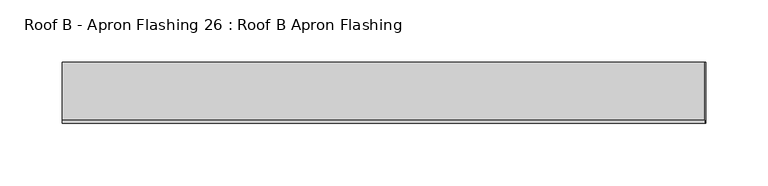
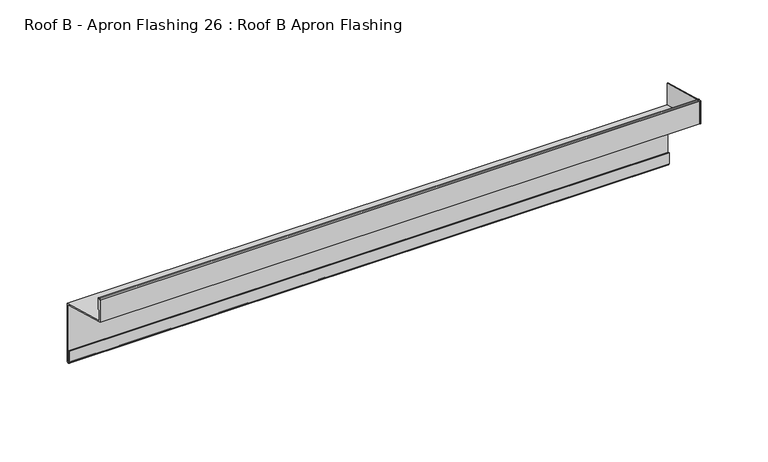
"""IFC4 building model written with IfcOpenShell, lengths in millimetres: proxy geometry, Roof B - Apron Flashing 26 : Roof B Apron Flashing."""

from ifc_helpers import new_model, si_unit, point, frame, frame_2d, origin, place, context, project, spatial, polyline, circle_curve, trimmed, segment, composite_curve, outline, extrude, source, transform, mapped, element, save


def roof_b_apron_flashing_26_roof_b_apron_flashing_edbbdef8(model_context):
    return source(origin(), model_context, "Body", "SweptSolid", [
        extrude(outline(polyline([(10608.0490096, -973.6339834), (10608.0490096, -953.130654), (10656.8026399, -966.1941499), (10656.8026399, -986.6974792), (10608.0490096, -973.6339834)])), frame((13482.4791786, 0.0, 0.0), z_axis=(1.0, 0.0, 0.0), x_axis=(0.0, 1.0, 0.0)), (0.0, 0.0, 1.0), 0.8428395),
        extrude(outline(composite_curve([segment(polyline([(10656.8026399, -985.662203), (10656.8026399, -1037.6563748)]), True, "CONTINUOUS"), segment(trimmed(circle_curve(frame_2d((10655.3026399, -1037.6563748)), 1.5), [point((10656.8026399, -1037.6563748))], [point((10653.8026399, -1037.6563748))], False, "CARTESIAN"), True, "CONTINUOUS"), segment(polyline([(10653.8026399, -1037.6563748), (10653.8026399, -1027.6933761), (10654.8026399, -1027.6933761), (10654.8026399, -1037.6563748)]), True, "CONTINUOUS"), segment(trimmed(circle_curve(frame_2d((10655.3026399, -1037.6563748)), 0.5), [point((10654.8026399, -1037.6563748))], [point((10655.8026399, -1037.6563748))], True, "CARTESIAN"), True, "CONTINUOUS"), segment(polyline([(10655.8026399, -1037.6563748), (10655.8026399, -986.42953), (10608.0490096, -973.6339834), (10608.0490096, -953.3538686)]), True, "CONTINUOUS"), segment(trimmed(circle_curve(frame_2d((10609.2990096, -953.3538686)), 1.25), [point((10608.0490096, -953.3538686))], [point((10610.5490096, -953.3538686))], False, "CARTESIAN"), True, "CONTINUOUS"), segment(polyline([(10610.5490096, -953.3538686), (10610.5490096, -962.6360034)]), True, "CONTINUOUS"), segment(trimmed(circle_curve(frame_2d((10610.0490096, -962.6360034)), 0.5), [point((10610.5490096, -962.6360034))], [point((10609.5490096, -962.6360034))], False, "CARTESIAN"), True, "CONTINUOUS"), segment(polyline([(10609.5490096, -962.6360034), (10609.5490096, -953.3538686)]), True, "CONTINUOUS"), segment(trimmed(circle_curve(frame_2d((10609.2990096, -953.3538686)), 0.25), [point((10609.5490096, -953.3538686))], [point((10609.0490096, -953.3538686))], True, "CARTESIAN"), True, "CONTINUOUS"), segment(polyline([(10609.0490096, -953.3538686), (10609.0490096, -972.8666564), (10656.8026399, -985.662203)]), True, "CONTINUOUS")], self_intersect=False)), frame((12967.4791786, 0.0, 0.0), z_axis=(1.0, 0.0, 0.0), x_axis=(0.0, 1.0, 0.0)), (0.0, 0.0, 1.0), 515.0),
    ])


if __name__ == "__main__":
    model = new_model("IFC4")
    model_context = context("Model", 3, world=origin())
    ifc_project = project(units=[si_unit("LENGTHUNIT", "METRE", prefix="MILLI")], contexts=[model_context])
    site = spatial("IfcSite", under=ifc_project)
    building = spatial("IfcBuilding", under=site)
    placement = place(None, origin())
    roof_b_apron_flashing_26_roof_b_apron_flashing_shape = roof_b_apron_flashing_26_roof_b_apron_flashing_edbbdef8(model_context)
    element("IfcBuildingElementProxy", 1, Name="Roof B - Apron Flashing 26 : Roof B Apron Flashing", ObjectType="Roof B - Apron Flashing 26 : Roof B Apron Flashing", at=placement, inside=building, context=model_context, shape_type="MappedRepresentation", body=[
        mapped(roof_b_apron_flashing_26_roof_b_apron_flashing_shape, transform((0.0, 0.0, 0.0), x_axis=(1.0, 0.0, 0.0), y_axis=(0.0, 1.0, 0.0), z_axis=(0.0, 0.0, 1.0))),
    ])
    save(model, "model.ifc")
